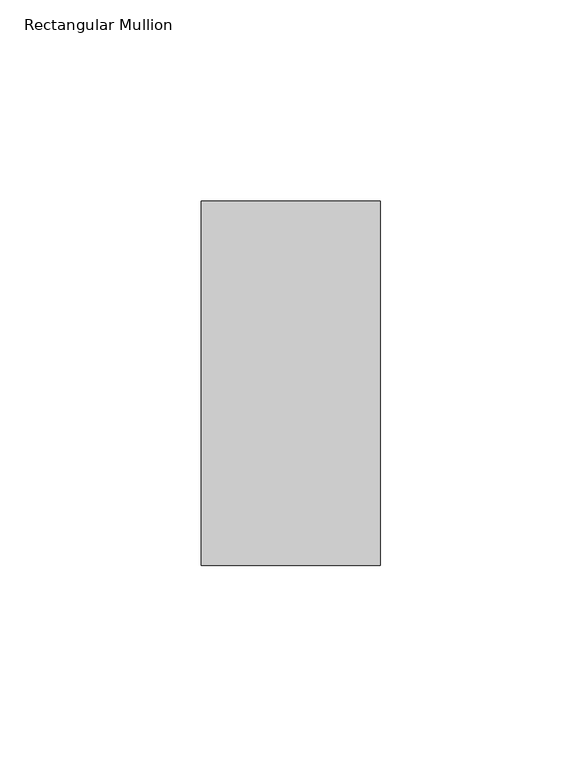
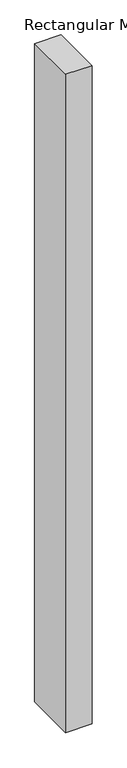
"""IFC4 building model written with IfcOpenShell, lengths in millimetres: member geometry, Rectangular Mullion."""

from ifc_helpers import new_model, si_unit, frame, origin, place, context, project, spatial, polyline, outline, extrude, source, transform, mapped, element, save


def rectangular_mullion_29c1d8c6(model_context):
    return source(origin(), model_context, "Body", "SweptSolid", [
        extrude(outline(polyline([(23.7644308, 45.2274954), (23.7644308, -45.1980997), (-20.6742346, -45.1980997), (-20.6742346, 45.2274954), (23.7644308, 45.2274954)])), frame((0.0, 0.0, -1174.7539725), z_axis=(0.0, 0.0, 1.0), x_axis=(1.0, 0.0, 0.0)), (0.0, 0.0, 1.0), 1174.7539725),
    ])


if __name__ == "__main__":
    model = new_model("IFC4")
    model_context = context("Model", 3, world=origin())
    ifc_project = project(units=[si_unit("LENGTHUNIT", "METRE", prefix="MILLI")], contexts=[model_context])
    site = spatial("IfcSite", under=ifc_project)
    building = spatial("IfcBuilding", under=site)
    placement = place(None, origin())
    rectangular_mullion_shape = rectangular_mullion_29c1d8c6(model_context)
    element("IfcMember", 1, ObjectType="Rectangular Mullion", at=placement, inside=building, context=model_context, shape_type="MappedRepresentation", body=[
        mapped(rectangular_mullion_shape, transform((0.0, 0.0, 0.0), x_axis=(1.0, 0.0, 0.0), y_axis=(0.0, 1.0, 0.0), z_axis=(0.0, 0.0, 1.0))),
    ])
    save(model, "model.ifc")
